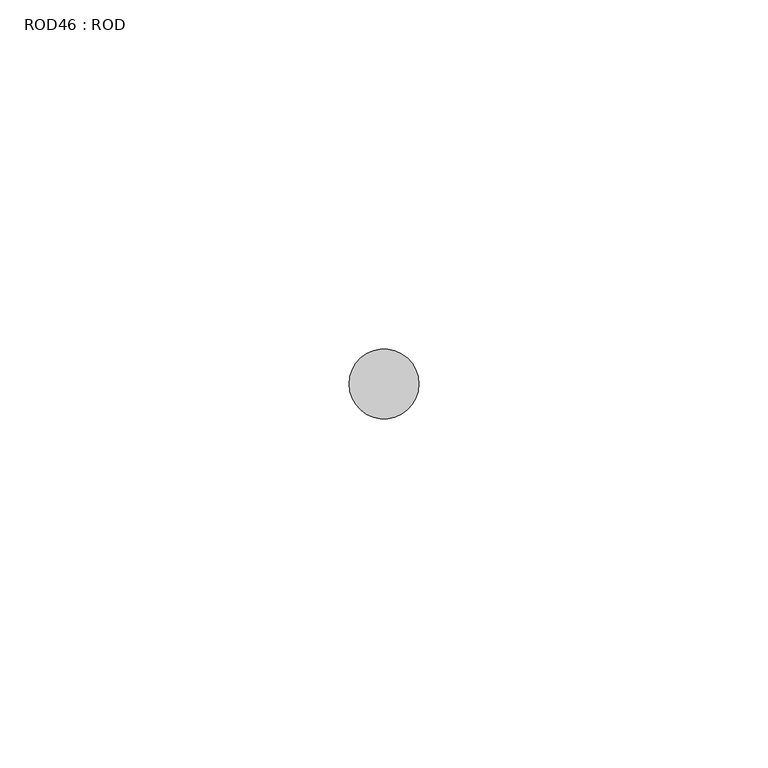
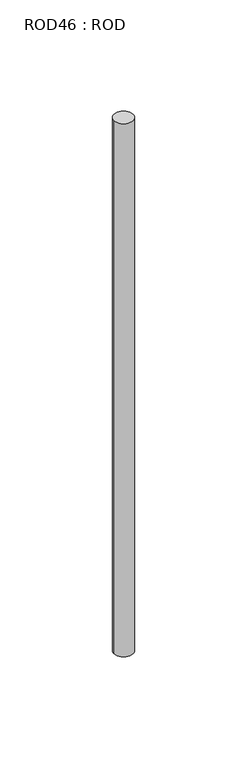
"""IFC4 building model written with IfcOpenShell, lengths in millimetres: proxy geometry, ROD46 : ROD."""

from ifc_helpers import new_model, si_unit, point, frame, frame_2d, origin, place, context, project, spatial, circle_curve, trimmed, segment, composite_curve, outline, extrude, source, transform, mapped, element, save


def rod46_rod_9f4e5cf8(model_context):
    return source(origin(), model_context, "Body", "SweptSolid", [
        extrude(outline(composite_curve([segment(trimmed(circle_curve(frame_2d((3079.7673324, -1114.6300853)), 5.0), [point((3074.7673324, -1114.6300853))], [point((3084.7673324, -1114.6300853))], False, "CARTESIAN"), True, "CONTINUOUS"), segment(trimmed(circle_curve(frame_2d((3079.7673324, -1114.6300853)), 5.0), [point((3084.7673324, -1114.6300853))], [point((3074.7673324, -1114.6300853))], False, "CARTESIAN"), True, "CONTINUOUS")], self_intersect=False)), frame((0.0, 0.0, -208.6608845), z_axis=(0.0, 0.0, 1.0), x_axis=(1.0, 0.0, 0.0)), (0.0, 0.0, 1.0), 298.9028972),
    ])


if __name__ == "__main__":
    model = new_model("IFC4")
    model_context = context("Model", 3, world=origin())
    ifc_project = project(units=[si_unit("LENGTHUNIT", "METRE", prefix="MILLI")], contexts=[model_context])
    site = spatial("IfcSite", under=ifc_project)
    building = spatial("IfcBuilding", under=site)
    placement = place(None, origin())
    rod46_rod_shape = rod46_rod_9f4e5cf8(model_context)
    element("IfcBuildingElementProxy", 1, Name="ROD46 : ROD", ObjectType="ROD46 : ROD", at=placement, inside=building, context=model_context, shape_type="MappedRepresentation", body=[
        mapped(rod46_rod_shape, transform((0.0, 0.0, 0.0), x_axis=(1.0, 0.0, 0.0), y_axis=(0.0, 1.0, 0.0), z_axis=(0.0, 0.0, 1.0))),
    ])
    save(model, "model.ifc")
